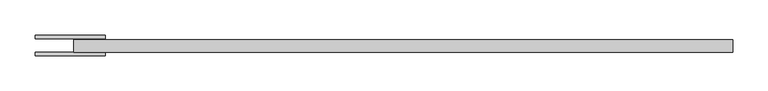
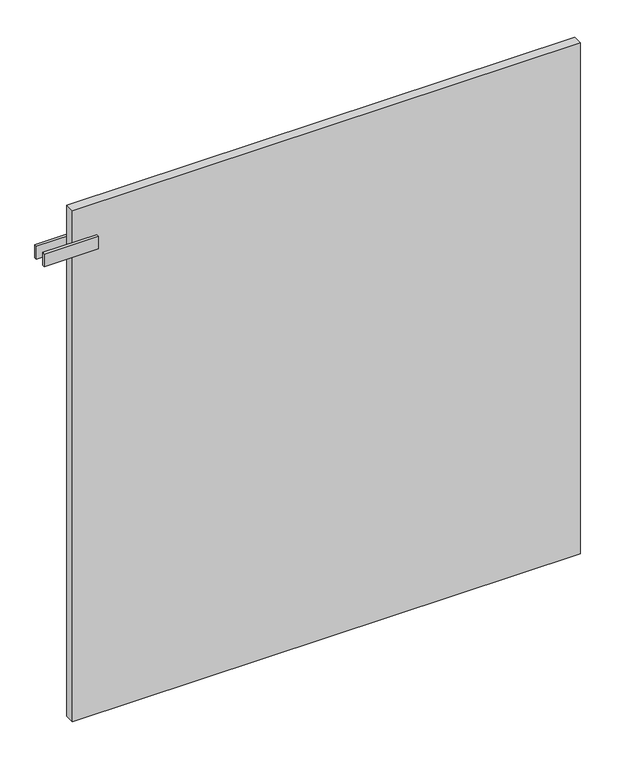
"""IFC4 building model written with IfcOpenShell, lengths in millimetres: plate geometry."""

from ifc_helpers import new_model, si_unit, frame, origin, origin_with_axes, place, context, project, spatial, polyline, outline, extrude, source, transform, mapped, element, save


def plate_c9996553(model_context):
    return source(origin(), model_context, "Body", "SweptSolid", [
        extrude(outline(polyline([(-425.0000001, -45.75), (-525.0000001, -45.75), (-525.0000001, -40.75), (-425.0000001, -40.75), (-425.0000001, -45.75)])), frame((0.0, 0.0, 912.5), z_axis=(0.0, 0.0, 1.0), x_axis=(1.0, 0.0, 0.0)), (0.0, 0.0, 1.0), 25.0),
        extrude(outline(polyline([(-425.0000001, -16.25), (-425.0000001, -21.25), (-525.0000001, -21.25), (-525.0000001, -16.25), (-425.0000001, -16.25)])), frame((0.0, 0.0, 912.5), z_axis=(0.0, 0.0, 1.0), x_axis=(1.0, 0.0, 0.0)), (0.0, 0.0, 1.0), 25.0),
        extrude(outline(polyline([(470.0000001, -23.25), (470.0000001, -40.75), (-470.0000001, -40.75), (-470.0000001, -23.25), (470.0000001, -23.25)])), origin_with_axes(), (0.0, 0.0, 1.0), 1000.0),
    ])


if __name__ == "__main__":
    model = new_model("IFC4")
    model_context = context("Model", 3, world=origin())
    ifc_project = project(units=[si_unit("LENGTHUNIT", "METRE", prefix="MILLI")], contexts=[model_context])
    site = spatial("IfcSite", under=ifc_project)
    building = spatial("IfcBuilding", under=site)
    placement = place(None, origin())
    plate_shape = plate_c9996553(model_context)
    element("IfcPlate", 1, at=placement, inside=building, context=model_context, shape_type="MappedRepresentation", body=[
        mapped(plate_shape, transform((0.0, 0.0, 0.0), x_axis=(1.0, 0.0, 0.0), y_axis=(0.0, 1.0, 0.0), z_axis=(0.0, 0.0, 1.0))),
    ])
    save(model, "model.ifc")
